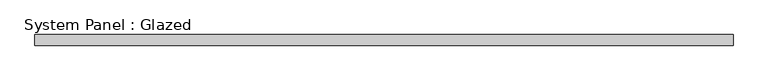
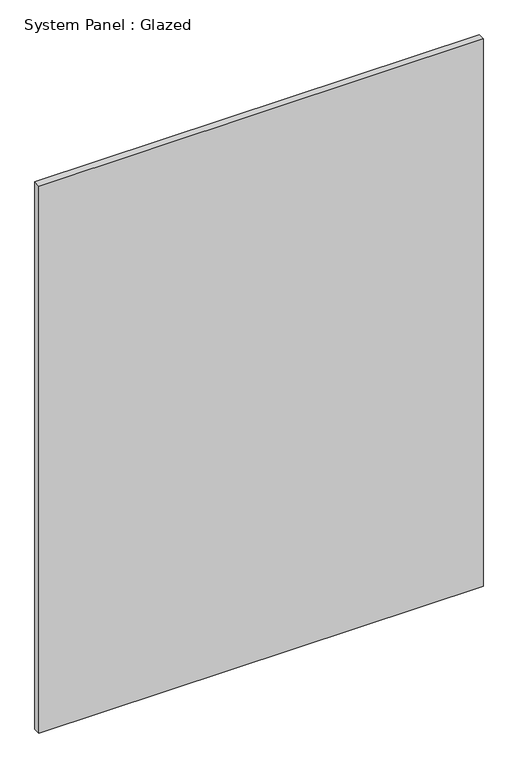
"""IFC4 building model written with IfcOpenShell, lengths in millimetres: plate geometry, System Panel : Glazed."""

from ifc_helpers import new_model, si_unit, origin, origin_with_axes, place, context, project, spatial, polyline, outline, extrude, source, transform, mapped, element, save


def system_panel_glazed_05d7606e(model_context):
    return source(origin(), model_context, "Body", "SweptSolid", [
        extrude(outline(polyline([(787.0209386, -49.5), (-787.0209386, -49.5), (-787.0209386, -24.5), (787.0209386, -24.5), (787.0209386, -49.5)])), origin_with_axes(), (0.0, 0.0, 1.0), 2050.0),
    ])


if __name__ == "__main__":
    model = new_model("IFC4")
    model_context = context("Model", 3, world=origin())
    ifc_project = project(units=[si_unit("LENGTHUNIT", "METRE", prefix="MILLI")], contexts=[model_context])
    site = spatial("IfcSite", under=ifc_project)
    building = spatial("IfcBuilding", under=site)
    placement = place(None, origin())
    system_panel_glazed_shape = system_panel_glazed_05d7606e(model_context)
    element("IfcPlate", 1, ObjectType="System Panel : Glazed", at=placement, inside=building, context=model_context, shape_type="MappedRepresentation", body=[
        mapped(system_panel_glazed_shape, transform((0.0, 0.0, 0.0), x_axis=(1.0, 0.0, 0.0), y_axis=(0.0, 1.0, 0.0), z_axis=(0.0, 0.0, 1.0))),
    ])
    save(model, "model.ifc")
